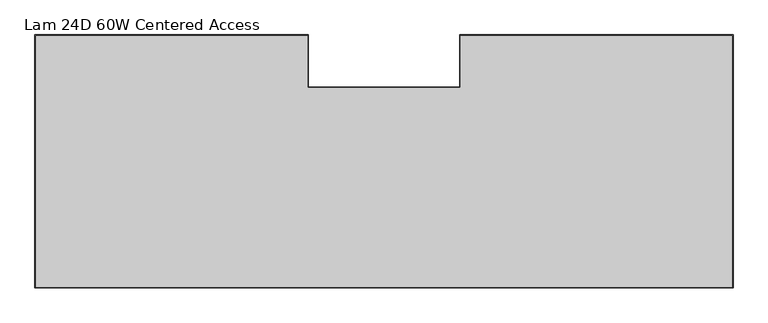
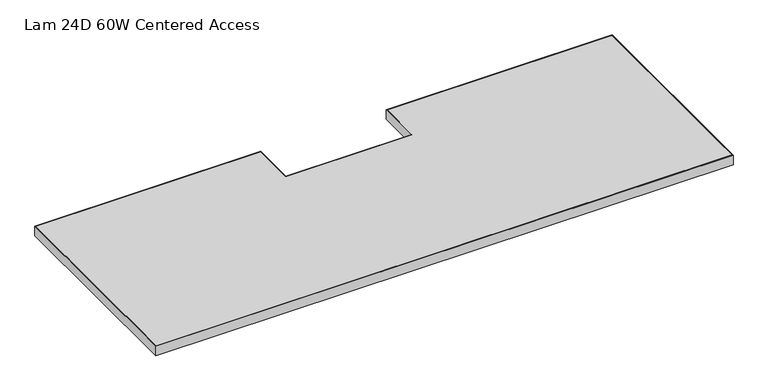
"""IFC4 building model written with IfcOpenShell, lengths in millimetres: furniture geometry, Lam 24D 60W Centered Access."""

from ifc_helpers import new_model, si_unit, frame, origin, place, context, project, spatial, polyline, outline, extrude, source, transform, mapped, element, save


def lam_24d_60w_centered_access_3fb5edc7(model_context):
    return source(origin(), model_context, "Body", "SweptSolid", [
        extrude(outline(polyline([(1520.9520029, -54.1019984), (1520.9520029, -606.4250121), (0.0, -606.4250121), (0.0, -54.1019984), (595.6299952, -54.1019984), (595.6299952, -168.1480031), (925.3220078, -168.1480031), (925.3220078, -54.1019984), (1520.9520029, -54.1019984)]), holes=[polyline([(1.6002, -55.7021984), (1.6002, -604.8248121), (1519.3518029, -604.8248121), (1519.3518029, -55.7021984), (926.9222078, -55.7021984), (926.9222078, -169.7482031), (594.0297952, -169.7482031), (594.0297952, -55.7021984), (1.6002, -55.7021984)])]), frame((0.0, 0.0, 316.23), z_axis=(0.0, 0.0, 1.0), x_axis=(1.0, 0.0, 0.0)), (0.0, 0.0, 1.0), 26.67),
        extrude(outline(polyline([(1.6002, -604.8248121), (1.6002, -55.7021984), (594.0297952, -55.7021984), (594.0297952, -169.7482031), (926.9222078, -169.7482031), (926.9222078, -55.7021984), (1519.3518029, -55.7021984), (1519.3518029, -604.8248121), (1.6002, -604.8248121)])), frame((0.0, 0.0, 316.23), z_axis=(0.0, 0.0, 1.0), x_axis=(1.0, 0.0, 0.0)), (0.0, 0.0, 1.0), 26.67),
    ])


if __name__ == "__main__":
    model = new_model("IFC4")
    model_context = context("Model", 3, world=origin())
    ifc_project = project(units=[si_unit("LENGTHUNIT", "METRE", prefix="MILLI")], contexts=[model_context])
    site = spatial("IfcSite", under=ifc_project)
    building = spatial("IfcBuilding", under=site)
    placement = place(None, origin())
    lam_24d_60w_centered_access_shape = lam_24d_60w_centered_access_3fb5edc7(model_context)
    element("IfcFurniture", 1, ObjectType="Lam 24D 60W Centered Access", at=placement, inside=building, context=model_context, shape_type="MappedRepresentation", body=[
        mapped(lam_24d_60w_centered_access_shape, transform((0.0, 0.0, 0.0), x_axis=(1.0, 0.0, 0.0), y_axis=(0.0, 1.0, 0.0), z_axis=(0.0, 0.0, 1.0))),
    ])
    save(model, "model.ifc")
